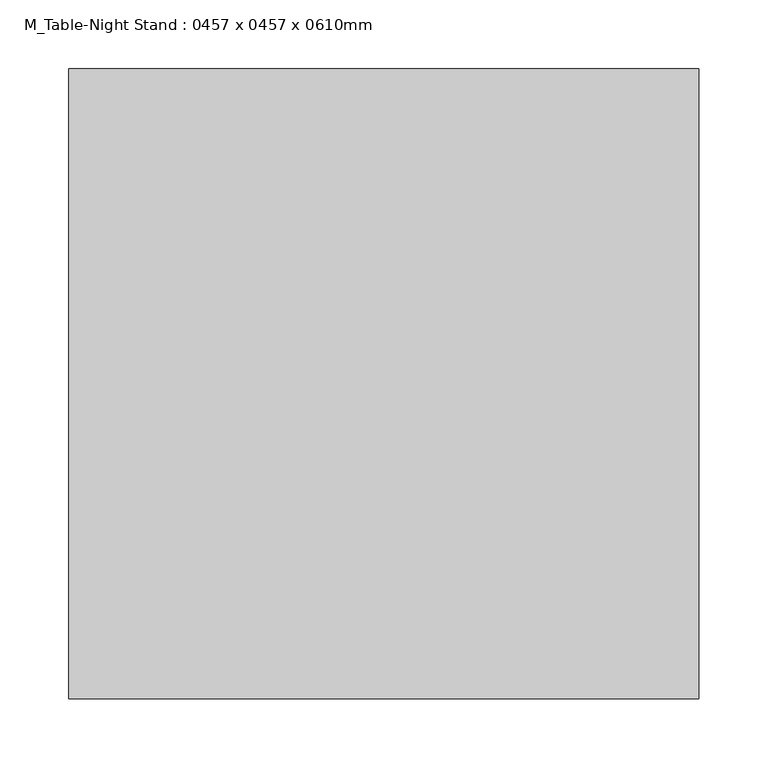
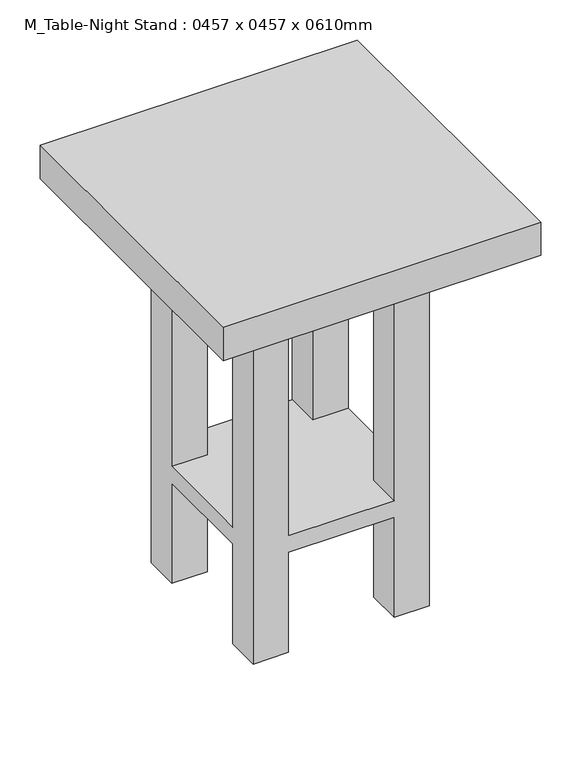
"""IFC4 building model written with IfcOpenShell, lengths in millimetres: furniture geometry, M_Table-Night Stand : 0457 x 0457 x 0610mm."""

from ifc_helpers import new_model, si_unit, frame, origin, place, context, project, spatial, polyline, outline, extrude, faceted_brep, source, transform, mapped, element, save


def m_table_night_stand_0457_x_0457_x_0610mm_e3011d0a(model_context):
    return source(origin(), model_context, "Body", "SolidModel", [
        faceted_brep([(156.1336303, 355.4, 559.2), (105.3336303, 355.4, 559.2), (105.3336303, 304.6, 559.2), (156.1336303, 304.6, 559.2), (156.1336303, 152.4, 559.2), (105.3336303, 152.4, 559.2), (105.3336303, 101.6, 559.2), (156.1336303, 101.6, 559.2), (359.1336303, 355.4, 559.2), (308.3336303, 355.4, 559.2), (308.3336303, 304.6, 559.2), (359.1336303, 304.6, 559.2), (359.1336303, 152.4, 559.2), (308.3336303, 152.4, 559.2), (308.3336303, 101.6, 559.2), (359.1336303, 101.6, 559.2), (156.1336303, 355.4, 0.0), (156.1336303, 304.6, 0.0), (105.3336303, 304.6, 0.0), (105.3336303, 355.4, 0.0), (156.1336303, 152.4, 0.0), (156.1336303, 101.6, 0.0), (105.3336303, 101.6, 0.0), (105.3336303, 152.4, 0.0), (359.1336303, 355.4, 0.0), (359.1336303, 304.6, 0.0), (308.3336303, 304.6, 0.0), (308.3336303, 355.4, 0.0), (359.1336303, 152.4, 0.0), (359.1336303, 101.6, 0.0), (308.3336303, 101.6, 0.0), (308.3336303, 152.4, 0.0), (156.1336303, 355.4, 177.8), (308.3336303, 355.4, 177.8), (308.3336303, 355.4, 152.4), (156.1336303, 355.4, 152.4), (105.3336303, 304.6, 152.4), (105.3336303, 152.4, 152.4), (105.3336303, 152.4, 177.8), (105.3336303, 304.6, 177.8), (156.1336303, 304.6, 177.8), (156.1336303, 304.6, 152.4), (156.1336303, 152.4, 177.8), (156.1336303, 152.4, 152.4), (156.1336303, 101.6, 152.4), (308.3336303, 101.6, 152.4), (308.3336303, 101.6, 177.8), (156.1336303, 101.6, 177.8), (308.3336303, 304.6, 177.8), (308.3336303, 304.6, 152.4), (359.1336303, 304.6, 177.8), (359.1336303, 304.6, 152.4), (359.1336303, 152.4, 177.8), (359.1336303, 152.4, 152.4), (308.3336303, 152.4, 177.8), (308.3336303, 152.4, 152.4)], [[[0, 1, 2, 3]], [[4, 5, 6, 7]], [[8, 9, 10, 11]], [[12, 13, 14, 15]], [[16, 17, 18, 19]], [[20, 21, 22, 23]], [[24, 25, 26, 27]], [[28, 29, 30, 31]], [[1, 0, 32, 33, 9, 8, 24, 27, 34, 35, 16, 19]], [[2, 1, 19, 18, 36, 37, 23, 22, 6, 5, 38, 39]], [[3, 2, 39, 40]], [[18, 17, 41, 36]], [[0, 3, 40, 32]], [[17, 16, 35, 41]], [[5, 4, 42, 38]], [[20, 23, 37, 43]], [[7, 6, 22, 21, 44, 45, 30, 29, 15, 14, 46, 47]], [[4, 7, 47, 42]], [[21, 20, 43, 44]], [[10, 9, 33, 48]], [[27, 26, 49, 34]], [[11, 10, 48, 50]], [[26, 25, 51, 49]], [[8, 11, 50, 52, 12, 15, 29, 28, 53, 51, 25, 24]], [[13, 12, 52, 54]], [[28, 31, 55, 53]], [[14, 13, 54, 46]], [[31, 30, 45, 55]], [[39, 38, 42, 47, 46, 54, 52, 50, 48, 33, 32, 40]], [[35, 34, 49, 51, 53, 55, 45, 44, 43, 37, 36, 41]]]),
        extrude(outline(polyline([(460.7336303, 0.0), (3.7336303, 0.0), (3.7336303, 457.0), (460.7336303, 457.0), (460.7336303, 0.0)])), frame((0.0, 0.0, 559.2), z_axis=(0.0, 0.0, 1.0), x_axis=(1.0, 0.0, 0.0)), (0.0, 0.0, 1.0), 50.8),
    ])


if __name__ == "__main__":
    model = new_model("IFC4")
    model_context = context("Model", 3, world=origin())
    ifc_project = project(units=[si_unit("LENGTHUNIT", "METRE", prefix="MILLI")], contexts=[model_context])
    site = spatial("IfcSite", under=ifc_project)
    building = spatial("IfcBuilding", under=site)
    placement = place(None, origin())
    m_table_night_stand_0457_x_0457_x_0610mm_shape = m_table_night_stand_0457_x_0457_x_0610mm_e3011d0a(model_context)
    element("IfcFurniture", 1, ObjectType="M_Table-Night Stand : 0457 x 0457 x 0610mm", at=placement, inside=building, context=model_context, shape_type="MappedRepresentation", body=[
        mapped(m_table_night_stand_0457_x_0457_x_0610mm_shape, transform((0.0, 0.0, 0.0), x_axis=(1.0, 0.0, 0.0), y_axis=(0.0, 1.0, 0.0), z_axis=(0.0, 0.0, 1.0))),
    ])
    save(model, "model.ifc")
